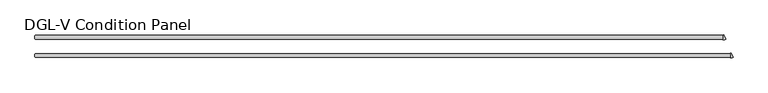
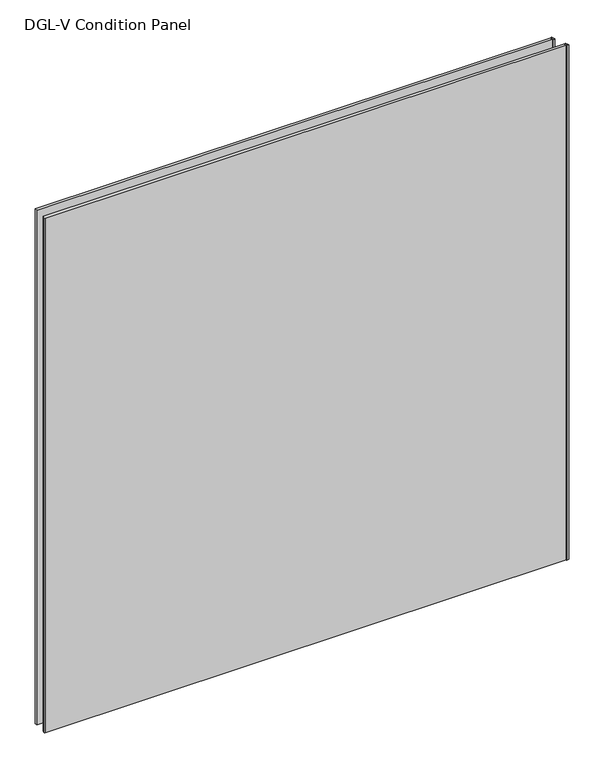
"""IFC4 building model written with IfcOpenShell, lengths in millimetres: plate geometry, DGL-V Condition Panel."""

from ifc_helpers import new_model, si_unit, point, frame_2d, origin, origin_with_axes, place, context, project, spatial, polyline, circle_curve, trimmed, segment, composite_curve, outline, extrude, source, transform, mapped, element, save


def dgl_v_condition_panel_953f416c(model_context):
    return source(origin(), model_context, "Body", "SweptSolid", [
        extrude(outline(composite_curve([segment(polyline([(1102.8863553, 34.13125), (1101.1798884, 35.8377169)]), True, "CONTINUOUS"), segment(trimmed(circle_curve(frame_2d((1101.4605214, 36.11835)), 0.396875), [point((1101.1798884, 35.8377169))], [point((1101.4524416, 36.5151427))], False, "CARTESIAN"), True, "CONTINUOUS"), segment(trimmed(circle_curve(frame_2d((1101.2851205, 44.732165)), 8.2187257), [point((1101.4524416, 36.5151427))], [point((1104.4302906, 37.1390526))], True, "CARTESIAN"), True, "CONTINUOUS"), segment(polyline([(1104.4302906, 37.1390526), (1110.2772493, 23.0232455)]), True, "CONTINUOUS"), segment(trimmed(circle_curve(frame_2d((1103.5150087, 39.3487385)), 17.6705863), [point((1110.2772493, 23.0232455))], [point((1101.0320134, 21.8534719))], False, "CARTESIAN"), True, "CONTINUOUS"), segment(trimmed(circle_curve(frame_2d((1101.0877806, 22.2464093)), 0.396875), [point((1101.0320134, 21.8534719))], [point((1100.8071476, 22.5270423))], False, "CARTESIAN"), True, "CONTINUOUS"), segment(polyline([(1100.8071476, 22.5270423), (1102.8863553, 24.60625), (1102.8863553, 34.13125)]), True, "CONTINUOUS")], self_intersect=False)), origin_with_axes(), (0.0, 0.0, 1.0), 2339.4622278),
        extrude(outline(composite_curve([segment(polyline([(1127.2162244, -24.60625), (1125.5097575, -22.8997831)]), True, "CONTINUOUS"), segment(trimmed(circle_curve(frame_2d((1125.7903905, -22.61915)), 0.396875), [point((1125.5097575, -22.8997831))], [point((1125.7823107, -22.2223573))], False, "CARTESIAN"), True, "CONTINUOUS"), segment(trimmed(circle_curve(frame_2d((1125.6149896, -14.005335)), 8.2187257), [point((1125.7823107, -22.2223573))], [point((1128.7601597, -21.5984474))], True, "CARTESIAN"), True, "CONTINUOUS"), segment(polyline([(1128.7601597, -21.5984474), (1134.6071184, -35.7142545)]), True, "CONTINUOUS"), segment(trimmed(circle_curve(frame_2d((1127.8448778, -19.3887615)), 17.6705863), [point((1134.6071184, -35.7142545))], [point((1125.3618825, -36.8840281))], False, "CARTESIAN"), True, "CONTINUOUS"), segment(trimmed(circle_curve(frame_2d((1125.4176497, -36.4910907)), 0.396875), [point((1125.3618825, -36.8840281))], [point((1125.1370167, -36.2104577))], False, "CARTESIAN"), True, "CONTINUOUS"), segment(polyline([(1125.1370167, -36.2104577), (1127.2162244, -34.13125), (1127.2162244, -24.60625)]), True, "CONTINUOUS")], self_intersect=False)), origin_with_axes(), (0.0, 0.0, 1.0), 2339.4622278),
        extrude(outline(polyline([(1101.2988553, 23.01875), (-1118.3955201, 23.01875), (-1119.9830201, 24.60625), (-1119.9830201, 34.13125), (-1118.3955201, 35.71875), (1101.2988553, 35.71875), (1102.8863553, 34.13125), (1102.8863553, 24.60625), (1101.2988553, 23.01875)])), origin_with_axes(), (0.0, 0.0, 1.0), 2339.4622278),
        extrude(outline(polyline([(1125.6287244, -35.71875), (-1118.3955201, -35.71875), (-1119.9830201, -34.13125), (-1119.9830201, -24.60625), (-1118.3955201, -23.01875), (1125.6287244, -23.01875), (1127.2162244, -24.60625), (1127.2162244, -34.13125), (1125.6287244, -35.71875)])), origin_with_axes(), (0.0, 0.0, 1.0), 2339.4622278),
    ])


if __name__ == "__main__":
    model = new_model("IFC4")
    model_context = context("Model", 3, world=origin())
    ifc_project = project(units=[si_unit("LENGTHUNIT", "METRE", prefix="MILLI")], contexts=[model_context])
    site = spatial("IfcSite", under=ifc_project)
    building = spatial("IfcBuilding", under=site)
    placement = place(None, origin())
    dgl_v_condition_panel_shape = dgl_v_condition_panel_953f416c(model_context)
    element("IfcPlate", 1, ObjectType="DGL-V Condition Panel", at=placement, inside=building, context=model_context, shape_type="MappedRepresentation", body=[
        mapped(dgl_v_condition_panel_shape, transform((0.0, 0.0, 0.0), x_axis=(1.0, 0.0, 0.0), y_axis=(0.0, 1.0, 0.0), z_axis=(0.0, 0.0, 1.0))),
    ])
    save(model, "model.ifc")
